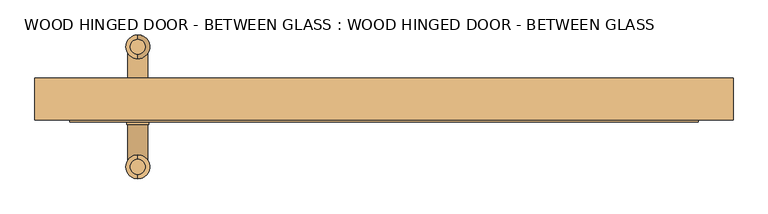
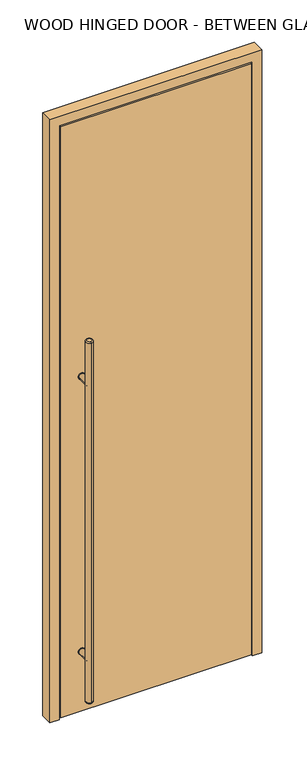
"""IFC4 building model written with IfcOpenShell, lengths in millimetres: door geometry, WOOD HINGED DOOR - BETWEEN GLASS : WOOD HINGED DOOR - BETWEEN GLASS."""

from ifc_helpers import new_model, si_unit, point, frame, frame_2d, origin, place, context, project, spatial, polyline, circle_curve, ellipse_curve, trimmed, segment, composite_curve, outline, extrude, faceted_brep, source, transform, mapped, element, save
from ifc_brep_helpers import plane_surface, cylinder_surface, revolved_surface, advanced_brep


def wood_hinged_door_between_glass_wood_hinged_door_between_2ec9ac1d(model_context):
    return source(origin(), model_context, "Body", "SolidModel", [
        extrude(outline(composite_curve([segment(trimmed(circle_curve(frame_2d((312.7375, -357.1875)), 15.875), [point((312.7375, -341.3125))], [point((312.7375, -373.0625))], False, "CARTESIAN"), True, "CONTINUOUS"), segment(trimmed(circle_curve(frame_2d((312.7375, -357.1875)), 15.875), [point((312.7375, -373.0625))], [point((312.7375, -341.3125))], False, "CARTESIAN"), True, "CONTINUOUS")], self_intersect=False)), frame((0.0, -36.5125, 0.0), z_axis=(0.0, 1.0, 0.0), x_axis=(0.0, 0.0, 1.0)), (0.0, 0.0, 1.0), 3.175),
        extrude(outline(composite_curve([segment(trimmed(circle_curve(frame_2d((1703.3875, -357.1875)), 15.875), [point((1703.3875, -373.0625))], [point((1703.3875, -341.3125))], False, "CARTESIAN"), True, "CONTINUOUS"), segment(trimmed(circle_curve(frame_2d((1703.3875, -357.1875)), 15.875), [point((1703.3875, -341.3125))], [point((1703.3875, -373.0625))], False, "CARTESIAN"), True, "CONTINUOUS")], self_intersect=False)), frame((0.0, -36.5125, 0.0), z_axis=(0.0, 1.0, 0.0), x_axis=(0.0, 0.0, 1.0)), (0.0, 0.0, 1.0), 3.175),
        extrude(outline(composite_curve([segment(trimmed(circle_curve(frame_2d((312.7375, -357.1875)), 15.875), [point((312.7375, -341.3125))], [point((312.7375, -373.0625))], False, "CARTESIAN"), True, "CONTINUOUS"), segment(trimmed(circle_curve(frame_2d((312.7375, -357.1875)), 15.875), [point((312.7375, -373.0625))], [point((312.7375, -341.3125))], False, "CARTESIAN"), True, "CONTINUOUS")], self_intersect=False)), frame((0.0, 11.1125, 0.0), z_axis=(0.0, 1.0, 0.0), x_axis=(0.0, 0.0, 1.0)), (0.0, 0.0, 1.0), 3.175),
        extrude(outline(composite_curve([segment(trimmed(circle_curve(frame_2d((1703.3875, -357.1875)), 15.875), [point((1703.3875, -341.3125))], [point((1703.3875, -373.0625))], False, "CARTESIAN"), True, "CONTINUOUS"), segment(trimmed(circle_curve(frame_2d((1703.3875, -357.1875)), 15.875), [point((1703.3875, -373.0625))], [point((1703.3875, -341.3125))], False, "CARTESIAN"), True, "CONTINUOUS")], self_intersect=False)), frame((0.0, 11.1125, 0.0), z_axis=(0.0, 1.0, 0.0), x_axis=(0.0, 0.0, 1.0)), (0.0, 0.0, 1.0), 3.175),
        extrude(outline(composite_curve([segment(trimmed(circle_curve(frame_2d((312.7375, -357.1875)), 14.2875), [point((312.7375, -371.475))], [point((312.7375, -342.9))], False, "CARTESIAN"), True, "CONTINUOUS"), segment(trimmed(circle_curve(frame_2d((312.7375, -357.1875)), 14.2875), [point((312.7375, -342.9))], [point((312.7375, -371.475))], False, "CARTESIAN"), True, "CONTINUOUS")], self_intersect=False)), frame((0.0, 11.1125, 0.0), z_axis=(0.0, 1.0, 0.0), x_axis=(0.0, 0.0, 1.0)), (0.0, 0.0, 1.0), 65.0875),
        extrude(outline(composite_curve([segment(trimmed(circle_curve(frame_2d((1703.3875, -357.1875)), 14.2875), [point((1703.3875, -371.475))], [point((1703.3875, -342.9))], False, "CARTESIAN"), True, "CONTINUOUS"), segment(trimmed(circle_curve(frame_2d((1703.3875, -357.1875)), 14.2875), [point((1703.3875, -342.9))], [point((1703.3875, -371.475))], False, "CARTESIAN"), True, "CONTINUOUS")], self_intersect=False)), frame((0.0, 11.1125, 0.0), z_axis=(0.0, 1.0, 0.0), x_axis=(0.0, 0.0, 1.0)), (0.0, 0.0, 1.0), 65.0875),
        advanced_brep(
        [(-357.1875, -87.63, 1924.05), (-357.1875, -109.22, 1924.05), (-357.1875, -109.22, 95.25), (-357.1875, -87.63, 95.25), (-357.1875, -115.57, 101.6), (-357.1875, -115.57, 1917.7), (-357.1875, -81.28, 1917.7), (-357.1875, -81.28, 101.6)],
        [
            (0, 1, circle_curve(frame((-357.1875, -98.425, 1924.05), z_axis=(0.0, 0.0, 1.0), x_axis=(0.0, 1.0, 0.0)), 10.795)),
            (1, 0, circle_curve(frame((-357.1875, -98.425, 1924.05), z_axis=(0.0, 0.0, 1.0), x_axis=(0.0, 1.0, 0.0)), 10.795)),
            (2, 3, circle_curve(frame((-357.1875, -98.425, 95.25), z_axis=(0.0, 0.0, -1.0), x_axis=(0.0, 1.0, 0.0)), 10.795)),
            (3, 2, circle_curve(frame((-357.1875, -98.425, 95.25), z_axis=(0.0, 0.0, -1.0), x_axis=(0.0, 1.0, 0.0)), 10.795)),
            (4, 5),
            (5, 6, circle_curve(frame((-357.1875, -98.425, 1917.7), z_axis=(0.0, 0.0, -1.0), x_axis=(0.0, 1.0, 0.0)), 17.145)),
            (6, 7),
            (7, 4, circle_curve(frame((-357.1875, -98.425, 101.6), z_axis=(0.0, 0.0, 1.0), x_axis=(0.0, 1.0, 0.0)), 17.145)),
            (6, 5, circle_curve(frame((-357.1875, -98.425, 1917.7), z_axis=(0.0, 0.0, -1.0), x_axis=(0.0, 1.0, 0.0)), 17.145)),
            (4, 7, circle_curve(frame((-357.1875, -98.425, 101.6), z_axis=(0.0, 0.0, 1.0), x_axis=(0.0, 1.0, 0.0)), 17.145)),
            (3, 7, circle_curve(frame((-357.1875, -87.63, 101.6), z_axis=(1.0, 0.0, 0.0), x_axis=(0.0, 1.0, 0.0)), 6.35)),
            (4, 2, circle_curve(frame((-357.1875, -109.22, 101.6), z_axis=(1.0, 0.0, 0.0), x_axis=(0.0, -1.0, 0.0)), 6.35)),
            (6, 0, circle_curve(frame((-357.1875, -87.63, 1917.7), z_axis=(1.0, 0.0, 0.0), x_axis=(0.0, 1.0, 0.0)), 6.35)),
            (1, 5, circle_curve(frame((-357.1875, -109.22, 1917.7), z_axis=(1.0, 0.0, 0.0), x_axis=(0.0, -1.0, 0.0)), 6.35)),
        ],
        [
            plane_surface(frame((-357.1875, 93.345, 1924.05), z_axis=(0.0, 0.0, 1.0), x_axis=(1.0, 0.0, 0.0))),
            plane_surface(frame((-357.1875, 93.345, 95.25), z_axis=(0.0, 0.0, -1.0), x_axis=(-1.0, 0.0, 0.0))),
            cylinder_surface(frame((-357.1875, -98.425, 95.25), z_axis=(0.0, 0.0, 1.0), x_axis=(0.0, 1.0, 0.0)), 17.145),
            revolved_surface(trimmed(ellipse_curve(frame((-357.1875, -87.63, 101.6), z_axis=(1.0, 0.0, 0.0), x_axis=(0.0, 1.0, 0.0)), 6.35, 6.35), [point((-357.1875, -87.63, 95.25))], [point((-357.1875, -81.28, 101.6))], True, "CARTESIAN"), (-357.1875, -98.425, 2533.65), (0.0, 0.0, 1.0)),
            revolved_surface(trimmed(ellipse_curve(frame((-357.1875, -87.63, 1917.7), z_axis=(1.0, 0.0, 0.0), x_axis=(0.0, 1.0, 0.0)), 6.35, 6.35), [point((-357.1875, -81.28, 1917.7))], [point((-357.1875, -87.63, 1924.05))], True, "CARTESIAN"), (-357.1875, -98.425, -514.35), (0.0, 0.0, 1.0)),
        ],
        [
            (0, [[1, 2]]),
            (1, [[3, 4]]),
            (2, [[5, 6, 7, 8]]),
            (2, [[-7, 9, -5, 10]]),
            (3, [[-4, 11, -10, 12]]),
            (3, [[-8, -11, -3, -12]]),
            (4, [[-9, 13, -2, 14]]),
            (4, [[-1, -13, -6, -14]]),
        ],
    ),
        advanced_brep(
        [(-357.1875, 86.995, 1924.05), (-357.1875, 65.405, 1924.05), (-357.1875, 65.405, 95.25), (-357.1875, 86.995, 95.25), (-357.1875, 59.055, 101.6), (-357.1875, 59.055, 1917.7), (-357.1875, 93.345, 1917.7), (-357.1875, 93.345, 101.6)],
        [
            (0, 1, circle_curve(frame((-357.1875, 76.2, 1924.05), z_axis=(0.0, 0.0, 1.0), x_axis=(0.0, -1.0, 0.0)), 10.795)),
            (1, 0, circle_curve(frame((-357.1875, 76.2, 1924.05), z_axis=(0.0, 0.0, 1.0), x_axis=(0.0, -1.0, 0.0)), 10.795)),
            (2, 3, circle_curve(frame((-357.1875, 76.2, 95.25), z_axis=(0.0, 0.0, -1.0), x_axis=(0.0, -1.0, 0.0)), 10.795)),
            (3, 2, circle_curve(frame((-357.1875, 76.2, 95.25), z_axis=(0.0, 0.0, -1.0), x_axis=(0.0, -1.0, 0.0)), 10.795)),
            (4, 5),
            (5, 6, circle_curve(frame((-357.1875, 76.2, 1917.7), z_axis=(0.0, 0.0, -1.0), x_axis=(0.0, 1.0, 0.0)), 17.145)),
            (6, 7),
            (7, 4, circle_curve(frame((-357.1875, 76.2, 101.6), z_axis=(0.0, 0.0, 1.0), x_axis=(0.0, 1.0, 0.0)), 17.145)),
            (6, 5, circle_curve(frame((-357.1875, 76.2, 1917.7), z_axis=(0.0, 0.0, -1.0), x_axis=(0.0, 1.0, 0.0)), 17.145)),
            (4, 7, circle_curve(frame((-357.1875, 76.2, 101.6), z_axis=(0.0, 0.0, 1.0), x_axis=(0.0, 1.0, 0.0)), 17.145)),
            (4, 2, circle_curve(frame((-357.1875, 65.405, 101.6), z_axis=(1.0, 0.0, 0.0), x_axis=(0.0, -1.0, 0.0)), 6.35)),
            (3, 7, circle_curve(frame((-357.1875, 86.995, 101.6), z_axis=(1.0, 0.0, 0.0), x_axis=(0.0, 1.0, 0.0)), 6.35)),
            (1, 5, circle_curve(frame((-357.1875, 65.405, 1917.7), z_axis=(1.0, 0.0, 0.0), x_axis=(0.0, -1.0, 0.0)), 6.35)),
            (6, 0, circle_curve(frame((-357.1875, 86.995, 1917.7), z_axis=(1.0, 0.0, 0.0), x_axis=(0.0, 1.0, 0.0)), 6.35)),
        ],
        [
            plane_surface(frame((-357.1875, 93.345, 1924.05), z_axis=(0.0, 0.0, 1.0), x_axis=(1.0, 0.0, 0.0))),
            plane_surface(frame((-357.1875, 93.345, 95.25), z_axis=(0.0, 0.0, -1.0), x_axis=(-1.0, 0.0, 0.0))),
            cylinder_surface(frame((-357.1875, 76.2, 95.25), z_axis=(0.0, 0.0, 1.0), x_axis=(0.0, 1.0, 0.0)), 17.145),
            revolved_surface(trimmed(ellipse_curve(frame((-357.1875, 65.405, 101.6), z_axis=(1.0, 0.0, 0.0), x_axis=(0.0, -1.0, 0.0)), 6.35, 6.35), [point((-357.1875, 59.055, 101.6))], [point((-357.1875, 65.405, 95.25))], True, "CARTESIAN"), (-357.1875, 76.2, 2533.65), (0.0, 0.0, -1.0)),
            revolved_surface(trimmed(ellipse_curve(frame((-357.1875, 65.405, 1917.7), z_axis=(1.0, 0.0, 0.0), x_axis=(0.0, -1.0, 0.0)), 6.35, 6.35), [point((-357.1875, 65.405, 1924.05))], [point((-357.1875, 59.055, 1917.7))], True, "CARTESIAN"), (-357.1875, 76.2, -514.35), (0.0, 0.0, -1.0)),
        ],
        [
            (0, [[1, 2]]),
            (1, [[3, 4]]),
            (2, [[5, 6, 7, 8]]),
            (2, [[-7, 9, -5, 10]]),
            (3, [[-10, 11, -4, 12]]),
            (3, [[-3, -11, -8, -12]]),
            (4, [[-2, 13, -9, 14]]),
            (4, [[-6, -13, -1, -14]]),
        ],
    ),
        extrude(outline(composite_curve([segment(trimmed(circle_curve(frame_2d((312.7375, -357.1875)), 14.2875), [point((312.7375, -371.475))], [point((312.7375, -342.9))], False, "CARTESIAN"), True, "CONTINUOUS"), segment(trimmed(circle_curve(frame_2d((312.7375, -357.1875)), 14.2875), [point((312.7375, -342.9))], [point((312.7375, -371.475))], False, "CARTESIAN"), True, "CONTINUOUS")], self_intersect=False)), frame((0.0, -98.425, 0.0), z_axis=(0.0, 1.0, 0.0), x_axis=(0.0, 0.0, 1.0)), (0.0, 0.0, 1.0), 65.0875),
        extrude(outline(composite_curve([segment(trimmed(circle_curve(frame_2d((1703.3875, -357.1875)), 14.2875), [point((1703.3875, -371.475))], [point((1703.3875, -342.9))], False, "CARTESIAN"), True, "CONTINUOUS"), segment(trimmed(circle_curve(frame_2d((1703.3875, -357.1875)), 14.2875), [point((1703.3875, -342.9))], [point((1703.3875, -371.475))], False, "CARTESIAN"), True, "CONTINUOUS")], self_intersect=False)), frame((0.0, -98.425, 0.0), z_axis=(0.0, 1.0, 0.0), x_axis=(0.0, 0.0, 1.0)), (0.0, 0.0, 1.0), 65.0875),
        faceted_brep([(-506.4125, 30.1625, 0.0), (-449.2625, 30.1625, 0.0), (-449.2625, 17.4625, 0.0), (-461.9625, 17.4625, 0.0), (-461.9625, -30.1625, 0.0), (-506.4125, -30.1625, 0.0), (-506.4125, -30.1625, 3048.0), (-506.4125, 30.1625, 3048.0), (-461.9625, -30.1625, 3003.55), (461.9625, -30.1625, 3003.55), (461.9625, -30.1625, 0.0), (506.4125, -30.1625, 0.0), (506.4125, -30.1625, 3048.0), (-461.9625, 17.4625, 3003.55), (-449.2625, 17.4625, 2990.85), (449.2625, 17.4625, 2990.85), (449.2625, 17.4625, 0.0), (461.9625, 17.4625, 0.0), (461.9625, 17.4625, 3003.55), (-449.2625, 30.1625, 2990.85), (506.4125, 30.1625, 3048.0), (506.4125, 30.1625, 0.0), (449.2625, 30.1625, 0.0), (449.2625, 30.1625, 2990.85)], [[[0, 1, 2, 3, 4, 5]], [[5, 6, 7, 0]], [[4, 8, 9, 10, 11, 12, 6, 5]], [[3, 13, 8, 4]], [[2, 14, 15, 16, 17, 18, 13, 3]], [[1, 19, 14, 2]], [[0, 7, 20, 21, 22, 23, 19, 1]], [[21, 11, 10, 17, 16, 22]], [[23, 22, 16, 15]], [[18, 17, 10, 9]], [[12, 11, 21, 20]], [[6, 12, 20, 7]], [[13, 18, 9, 8]], [[19, 23, 15, 14]]]),
        extrude(outline(polyline([(455.6125, 11.1125), (455.6125, -33.3375), (-455.6125, -33.3375), (-455.6125, 11.1125), (455.6125, 11.1125)])), frame((0.0, 0.0, 9.525), z_axis=(0.0, 0.0, 1.0), x_axis=(1.0, 0.0, 0.0)), (0.0, 0.0, 1.0), 2987.675),
    ])


if __name__ == "__main__":
    model = new_model("IFC4")
    model_context = context("Model", 3, world=origin())
    ifc_project = project(units=[si_unit("LENGTHUNIT", "METRE", prefix="MILLI")], contexts=[model_context])
    site = spatial("IfcSite", under=ifc_project)
    building = spatial("IfcBuilding", under=site)
    placement = place(None, origin())
    wood_hinged_door_between_glass_wood_hinged_door_between_shape = wood_hinged_door_between_glass_wood_hinged_door_between_2ec9ac1d(model_context)
    element("IfcDoor", 1, ObjectType="WOOD HINGED DOOR - BETWEEN GLASS : WOOD HINGED DOOR - BETWEEN GLASS", at=placement, inside=building, context=model_context, shape_type="MappedRepresentation", body=[
        mapped(wood_hinged_door_between_glass_wood_hinged_door_between_shape, transform((0.0, 0.0, 0.0), x_axis=(1.0, 0.0, 0.0), y_axis=(0.0, 1.0, 0.0), z_axis=(0.0, 0.0, 1.0))),
    ])
    save(model, "model.ifc")
